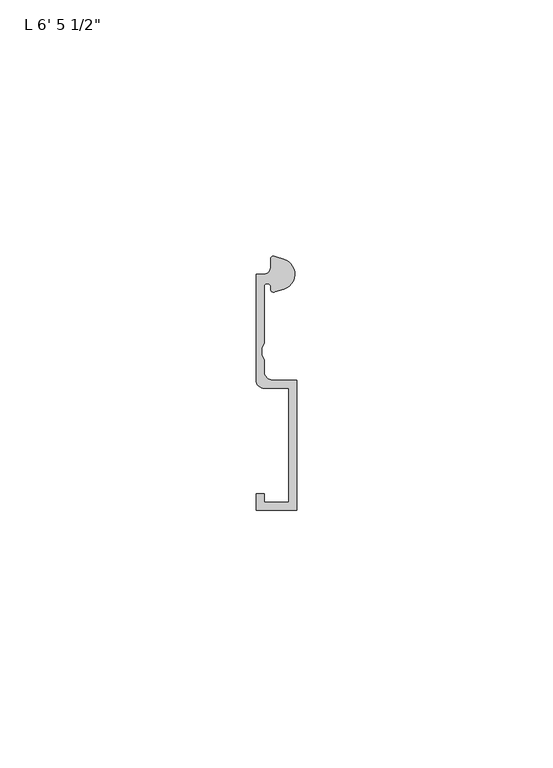
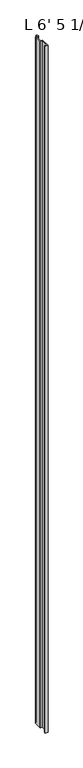
"""IFC4 building model written with IfcOpenShell, lengths in millimetres: proxy geometry."""

from ifc_helpers import new_model, si_unit, point, frame_2d, origin, origin_with_axes, place, context, project, spatial, polyline, circle_curve, trimmed, segment, composite_curve, outline, extrude, source, transform, mapped, element, save


def proxy_b867036c(model_context):
    return source(origin(), model_context, "Body", "SweptSolid", [
        extrude(outline(composite_curve([segment(trimmed(circle_curve(frame_2d((4.5018192, -3.531999)), 3.048), [point((5.4099313, -0.6224223))], [point((7.1037699, -1.944499))], False, "CARTESIAN"), True, "CONTINUOUS"), segment(trimmed(circle_curve(frame_2d((4.5018192, -3.531999)), 3.048), [point((7.1037699, -1.944499))], [point((5.4099313, -6.4415757))], False, "CARTESIAN"), True, "CONTINUOUS"), segment(polyline([(5.4099313, -6.4415757), (3.6135887, -7.0022347)]), True, "CONTINUOUS"), segment(trimmed(circle_curve(frame_2d((3.4254762, -6.4635334)), 0.5706009), [point((3.6135887, -7.0022347))], [point((2.8720827, -6.3244611))], False, "CARTESIAN"), True, "CONTINUOUS"), segment(trimmed(circle_curve(frame_2d((2.1330622, -6.1387392)), 0.762), [point((2.8720827, -6.3244611))], [point((2.1123834, -5.3770198))], True, "CARTESIAN"), True, "CONTINUOUS"), segment(trimmed(circle_curve(frame_2d((2.0955, -5.8847392)), 0.508), [point((2.1123834, -5.3770198))], [point((1.5875, -5.8847392))], True, "CARTESIAN"), True, "CONTINUOUS"), segment(polyline([(1.5875, -5.8847392), (1.5875, -17.0723512), (1.0783361, -17.9897709), (1.0783361, -19.3299316), (1.5875, -20.2473512), (1.5875, -22.6259797)]), True, "CONTINUOUS"), segment(trimmed(circle_curve(frame_2d((3.175, -22.6259797)), 1.5875), [point((1.5875, -22.6259797))], [point((3.175, -24.2134797))], True, "CARTESIAN"), True, "CONTINUOUS"), segment(polyline([(3.175, -24.2134797), (7.9375, -24.2134797), (7.9375, -49.6175641), (0.0, -49.6175641), (0.0, -46.4425641), (1.5875, -46.4425641), (1.5875, -48.0300641), (6.35, -48.0300641), (6.35, -25.8237392), (1.5875, -25.8237392)]), True, "CONTINUOUS"), segment(trimmed(circle_curve(frame_2d((1.5875, -24.2362392)), 1.5875), [point((1.5875, -25.8237392))], [point((0.0, -24.2362392))], False, "CARTESIAN"), True, "CONTINUOUS"), segment(polyline([(0.0, -24.2362392), (0.0, -3.5987392), (1.3075622, -3.5987392)]), True, "CONTINUOUS"), segment(trimmed(circle_curve(frame_2d((1.3075622, -2.0112392)), 1.5875), [point((1.3075622, -3.5987392))], [point((2.8950622, -2.0112392))], True, "CARTESIAN"), True, "CONTINUOUS"), segment(polyline([(2.8950622, -2.0112392), (2.8950622, -0.4696291)]), True, "CONTINUOUS"), segment(trimmed(circle_curve(frame_2d((3.3646912, -0.4696291)), 0.4696291), [point((2.8950622, -0.4696291))], [point((3.5749842, -0.0497144))], False, "CARTESIAN"), True, "CONTINUOUS"), segment(polyline([(3.5749842, -0.0497144), (5.4099313, -0.6224223)]), True, "CONTINUOUS")], self_intersect=False)), origin_with_axes(), (0.0, 0.0, 1.0), 1968.5),
    ])


if __name__ == "__main__":
    model = new_model("IFC4")
    model_context = context("Model", 3, world=origin())
    ifc_project = project(units=[si_unit("LENGTHUNIT", "METRE", prefix="MILLI")], contexts=[model_context])
    site = spatial("IfcSite", under=ifc_project)
    building = spatial("IfcBuilding", under=site)
    placement = place(None, origin())
    proxy_shape = proxy_b867036c(model_context)
    element("IfcBuildingElementProxy", 1, Name="L 6' 5 1/2\"", ObjectType="L 6' 5 1/2\"", at=placement, inside=building, context=model_context, shape_type="MappedRepresentation", body=[
        mapped(proxy_shape, transform((0.0, 0.0, 0.0), x_axis=(1.0, 0.0, 0.0), y_axis=(0.0, 1.0, 0.0), z_axis=(0.0, 0.0, 1.0))),
    ])
    save(model, "model.ifc")
